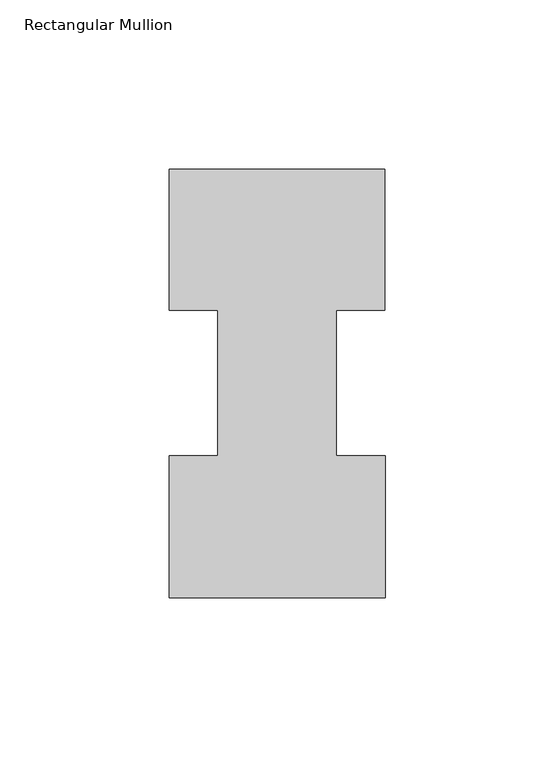
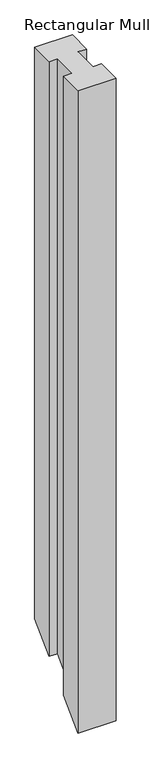
"""IFC4 building model written with IfcOpenShell, lengths in millimetres: member geometry, Rectangular Mullion."""

import ifcopenshell
import ifcopenshell.guid

model = None  # the IFC model being written
_history = None  # IfcOwnerHistory: only IFC2X3 demands one
_inside = {}  # id of a spatial element -> (the spatial element, [elements in it])
_under = {}  # id of a project, library or spatial element -> (it, [spatial elements below it])
_declared = {}  # id of a project -> (the project, [libraries it declares])
_typed = {}  # id of a type object -> (the type object, [elements of that type])
_made_of = {}  # id of a material, layer set ... -> (it, [elements and type objects made of it])


def new_model(schema):
    """Start an empty IFC model of exactly this schema.

    Asked for "IFC4X3", IfcOpenShell would pick the latest addendum, in which some entities
    have other attributes; the version numbers below select the first issue.
    IFC2X3 requires an IfcOwnerHistory on every rooted entity: one is made here for all.
    """
    global model, _history
    if schema == "IFC4X3":
        model = ifcopenshell.file(schema_version=(4, 3, 0, 0))
    else:
        model = ifcopenshell.file(schema=schema)
    _inside.clear()
    _under.clear()
    _declared.clear()
    _typed.clear()
    _made_of.clear()
    _history = None
    if model.schema == "IFC2X3":
        org = make("IfcOrganization", Name="unknown")
        user = make(
            "IfcPersonAndOrganization",
            ThePerson=make("IfcPerson", FamilyName="unknown"),
            TheOrganization=org,
        )
        app = make(
            "IfcApplication",
            ApplicationDeveloper=org,
            Version="unknown",
            ApplicationFullName="unknown",
            ApplicationIdentifier="unknown",
        )
        _history = make(
            "IfcOwnerHistory",
            OwningUser=user,
            OwningApplication=app,
            ChangeAction="ADDED",
            CreationDate=0,
        )
    return model


def make(cls, **values):
    """One entity of the class cls with the attributes given. An attribute that is None is left unset."""
    return model.create_entity(
        cls, **{name: value for name, value in values.items() if value is not None}
    )


def rooted(cls, **values):
    """An entity with a GlobalId (a new one), such as an element, a storey or a relation."""
    return make(cls, GlobalId=ifcopenshell.guid.new(), OwnerHistory=_history, **values)


def si_unit(unit_type, name, prefix=None):
    """IfcSIUnit, for example si_unit("LENGTHUNIT", "METRE", prefix="MILLI")."""
    return make("IfcSIUnit", UnitType=unit_type, Prefix=prefix, Name=name)


def assignment(units):
    """IfcUnitAssignment: the units of a project."""
    return None if units is None else make("IfcUnitAssignment", Units=units)


def point(xyz):
    """IfcCartesianPoint."""
    return None if xyz is None else make("IfcCartesianPoint", Coordinates=xyz)


def direction(xyz):
    """IfcDirection."""
    return None if xyz is None else make("IfcDirection", DirectionRatios=xyz)


def frame(location, z_axis=None, x_axis=None):
    """IfcAxis2Placement3D, a coordinate frame: its origin and axes. An axis left out is left unset."""
    return make(
        "IfcAxis2Placement3D",
        Location=point(location),
        Axis=direction(z_axis),
        RefDirection=direction(x_axis),
    )


def origin():
    """The frame at (0, 0, 0) with its axes left unset."""
    return frame((0.0, 0.0, 0.0))


def place(relative_to, where):
    """IfcLocalPlacement: puts the frame where relative to a parent placement (None: the world)."""
    return make(
        "IfcLocalPlacement", PlacementRelTo=relative_to, RelativePlacement=where
    )


def context(
    kind, dimensions, precision=None, world=None, true_north=None, identifier=None
):
    """IfcGeometricRepresentationContext, for example the 3D "Model" context."""
    return make(
        "IfcGeometricRepresentationContext",
        ContextIdentifier=identifier,
        ContextType=kind,
        CoordinateSpaceDimension=dimensions,
        Precision=precision,
        WorldCoordinateSystem=world,
        TrueNorth=true_north,
    )


def project(units=None, contexts=None):
    """IfcProject with its units and contexts."""
    return rooted(
        "IfcProject",
        Name="project",
        RepresentationContexts=contexts,
        UnitsInContext=assignment(units),
    )


def spatial(cls, under=None, at=None, **own):
    """A site, building, storey or space (cls), placed at a placement, below another one or the project."""
    s = rooted(cls, ObjectPlacement=at, **own)
    if under is not None:
        _under.setdefault(under.id(), (under, []))[1].append(s)
    return s


def faces_of(points, faces, orient=None, outer=None):
    """IfcFace entities. A face is a list of loops; a loop is a list of indices into points, from 0.

    orient and outer hold one flag for each loop. By default every Orientation is true, the
    first loop of a face is its IfcFaceOuterBound and the others are IfcFaceBound.
    """
    made = []
    for i, loops in enumerate(faces):
        bounds = []
        for j, loop in enumerate(loops):
            is_outer = j == 0 if outer is None else outer[i][j]
            bounds.append(
                make(
                    "IfcFaceOuterBound" if is_outer else "IfcFaceBound",
                    Bound=make("IfcPolyLoop", Polygon=[points[k] for k in loop]),
                    Orientation=True if orient is None else orient[i][j],
                )
            )
        made.append(make("IfcFace", Bounds=bounds))
    return made


def faceted_brep(points, faces, orient=None, outer=None, voids=None):
    """IfcFacetedBrep: a solid bounded by flat faces; with voids (closed shells), ...WithVoids."""
    shared = [point(p) for p in points]
    hull = make("IfcClosedShell", CfsFaces=faces_of(shared, faces, orient, outer))
    if voids is None:
        return make("IfcFacetedBrep", Outer=hull)
    return make(
        "IfcFacetedBrepWithVoids",
        Outer=hull,
        Voids=[
            make(cls, CfsFaces=faces_of(shared, fs, o, b)) for cls, fs, o, b in voids
        ],
    )


def shape(context_of_items, identifier, shape_type, items):
    """IfcShapeRepresentation: the items that make up one representation, for example the "Body"."""
    return make(
        "IfcShapeRepresentation",
        ContextOfItems=context_of_items,
        RepresentationIdentifier=identifier,
        RepresentationType=shape_type,
        Items=items,
    )


def source(mapping_origin, context_of_items, identifier, shape_type, items):
    """IfcRepresentationMap: a shape defined once, which mapped items show again and again."""
    return make(
        "IfcRepresentationMap",
        MappingOrigin=mapping_origin,
        MappedRepresentation=shape(context_of_items, identifier, shape_type, items),
    )


def transform(
    local_origin,
    x_axis=None,
    y_axis=None,
    z_axis=None,
    scale=None,
    scale2=None,
    scale3=None,
    uniform=True,
):
    """IfcCartesianTransformationOperator3D, or its non-uniform kind. x_axis, y_axis, z_axis: its Axis1, 2, 3."""
    if uniform:
        return make(
            "IfcCartesianTransformationOperator3D",
            Axis1=direction(x_axis),
            Axis2=direction(y_axis),
            LocalOrigin=point(local_origin),
            Scale=scale,
            Axis3=direction(z_axis),
        )
    return make(
        "IfcCartesianTransformationOperator3DnonUniform",
        Axis1=direction(x_axis),
        Axis2=direction(y_axis),
        LocalOrigin=point(local_origin),
        Scale=scale,
        Axis3=direction(z_axis),
        Scale2=scale2,
        Scale3=scale3,
    )


def mapped(mapping_source, mapping_target):
    """IfcMappedItem: shows the shape of a source again, moved by a transform."""
    return make(
        "IfcMappedItem", MappingSource=mapping_source, MappingTarget=mapping_target
    )


def made_of(thing, what):
    """Note that an element or type object is made of a material, layer set ...; save() writes the relation."""
    if what is not None:
        _made_of.setdefault(what.id(), (what, []))[1].append(thing)
    return thing


def element(
    cls,
    number,
    at=None,
    inside=None,
    cuts=None,
    type_object=None,
    material=None,
    context=None,
    identifier="Body",
    shape_type=None,
    held_by="IfcProductDefinitionShape",
    body=None,
    shapes=None,
    **own,
):
    """One element of the class cls, such as IfcWall. Its Tag is "e" and its number.

    at: its placement. inside: the storey or other place that contains it. cuts: it is an
    opening in that element (IfcRelVoidsElement). A single representation is given by context,
    identifier, shape_type and body (its items); several are given by shapes. held_by: the class
    of the entity that holds the representations. save() writes the other relations.
    """
    e = rooted(cls, Tag="e%d" % number, ObjectPlacement=at, **own)
    if body is not None:
        shapes = [shape(context, identifier, shape_type, body)]
    if shapes is not None:
        e.Representation = make(held_by, Representations=shapes)
    if inside is not None:
        _inside.setdefault(inside.id(), (inside, []))[1].append(e)
    if cuts is not None:
        rooted(
            "IfcRelVoidsElement", RelatingBuildingElement=cuts, RelatedOpeningElement=e
        )
    if type_object is not None:
        _typed.setdefault(type_object.id(), (type_object, []))[1].append(e)
    return made_of(e, material)


def aggregate(whole, parts):
    """IfcRelAggregates: a whole, such as a stair, and the parts it consists of."""
    return rooted("IfcRelAggregates", RelatingObject=whole, RelatedObjects=parts)


def save(model, path):
    """Write the relations noted so far, then the file.

    IfcRelAggregates (storeys below a building ...), IfcRelContainedInSpatialStructure (elements
    in a storey), IfcRelDefinesByType, IfcRelAssociatesMaterial and IfcRelDeclares: one each for
    every whole, place, type object, material and project.
    """
    for whole, parts in _under.values():
        aggregate(whole, parts)
    for where, things in _inside.values():
        rooted(
            "IfcRelContainedInSpatialStructure",
            RelatedElements=things,
            RelatingStructure=where,
        )
    for kind, things in _typed.values():
        rooted("IfcRelDefinesByType", RelatedObjects=things, RelatingType=kind)
    for what, things in _made_of.values():
        rooted("IfcRelAssociatesMaterial", RelatedObjects=things, RelatingMaterial=what)
    for by, libraries in _declared.values():
        rooted("IfcRelDeclares", RelatingContext=by, RelatedDefinitions=libraries)
    model.write(path)


def rectangular_mullion_7f253b75(model_context):
    return source(origin(), model_context, "Body", "Brep", [
        faceted_brep([(-49.21504, 85.1296875, 0.0), (-49.21504, 42.2799164, 0.0), (-63.5, 42.2799164, 0.0), (-63.5, 0.2429164, 0.0), (0.2408142, 0.2429164, 0.0), (0.2408142, 42.2799164, 0.0), (-14.2748, 42.2799164, 0.0), (-14.2748, 85.1296875, 0.0), (0.0, 85.1296875, 0.0), (0.0, 126.7349164, 0.0), (-63.5, 126.7349164, 0.0), (-63.5, 85.1296875, 0.0), (-49.21504, 85.1296875, -1057.8690164), (-49.21504, 42.2799164, -1100.7187875), (-63.5, 42.2799164, -1100.7187875), (-63.5, 0.2429164, -1142.7557875), (0.2408142, 0.2429164, -1142.7557875), (0.2408142, 42.2799164, -1100.7187875), (-14.2748, 42.2799164, -1100.7187875), (-14.2748, 85.1296875, -1057.8690164), (0.0, 85.1296875, -1057.8690164), (0.0, 126.7349164, -1016.2637875), (-63.5, 126.7349164, -1016.2637875), (-63.5, 85.1296875, -1057.8690164)], [[[0, 1, 2, 3, 4, 5, 6, 7, 8, 9, 10, 11]], [[1, 0, 12, 13]], [[2, 1, 13, 14]], [[3, 2, 14, 15]], [[4, 3, 15, 16]], [[5, 4, 16, 17]], [[6, 5, 17, 18]], [[7, 6, 18, 19]], [[8, 7, 19, 20]], [[9, 8, 20, 21]], [[10, 9, 21, 22]], [[11, 10, 22, 23]], [[0, 11, 23, 12]], [[12, 23, 22, 21, 20, 19, 18, 17, 16, 15, 14, 13]]]),
    ])


if __name__ == "__main__":
    model = new_model("IFC4")
    model_context = context("Model", 3, world=origin())
    ifc_project = project(units=[si_unit("LENGTHUNIT", "METRE", prefix="MILLI")], contexts=[model_context])
    site = spatial("IfcSite", under=ifc_project)
    building = spatial("IfcBuilding", under=site)
    placement = place(None, origin())
    rectangular_mullion_shape = rectangular_mullion_7f253b75(model_context)
    element("IfcMember", 1, ObjectType="Rectangular Mullion", at=placement, inside=building, context=model_context, shape_type="MappedRepresentation", body=[
        mapped(rectangular_mullion_shape, transform((0.0, 0.0, 0.0), x_axis=(1.0, 0.0, 0.0), y_axis=(0.0, 1.0, 0.0), z_axis=(0.0, 0.0, 1.0))),
    ])
    save(model, "model.ifc")
